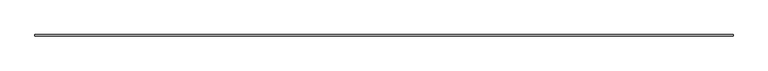
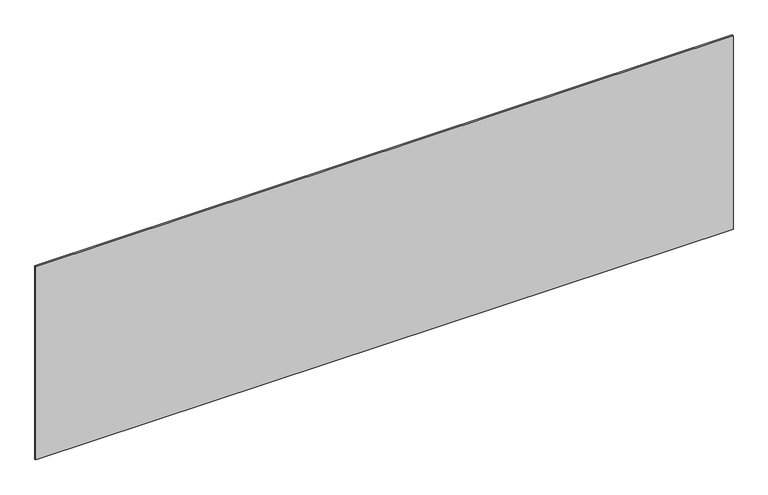
"""IFC4 building model written with IfcOpenShell, lengths in millimetres: plate geometry."""

from ifc_helpers import new_model, si_unit, origin, origin_with_axes, place, context, project, spatial, polyline, outline, extrude, source, transform, mapped, element, save


def plate_9a705a48(model_context):
    return source(origin(), model_context, "Body", "SweptSolid", [
        extrude(outline(polyline([(2206.6666667, -5.0), (-2206.6666667, -5.0), (-2206.6666667, 5.0), (2206.6666667, 5.0), (2206.6666667, -5.0)])), origin_with_axes(), (0.0, 0.0, 1.0), 1293.3001073),
    ])


if __name__ == "__main__":
    model = new_model("IFC4")
    model_context = context("Model", 3, world=origin())
    ifc_project = project(units=[si_unit("LENGTHUNIT", "METRE", prefix="MILLI")], contexts=[model_context])
    site = spatial("IfcSite", under=ifc_project)
    building = spatial("IfcBuilding", under=site)
    placement = place(None, origin())
    plate_shape = plate_9a705a48(model_context)
    element("IfcPlate", 1, at=placement, inside=building, context=model_context, shape_type="MappedRepresentation", body=[
        mapped(plate_shape, transform((0.0, 0.0, 0.0), x_axis=(1.0, 0.0, 0.0), y_axis=(0.0, 1.0, 0.0), z_axis=(0.0, 0.0, 1.0))),
    ])
    save(model, "model.ifc")
